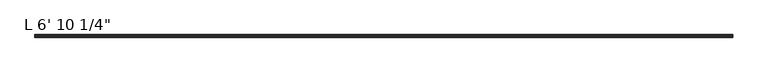
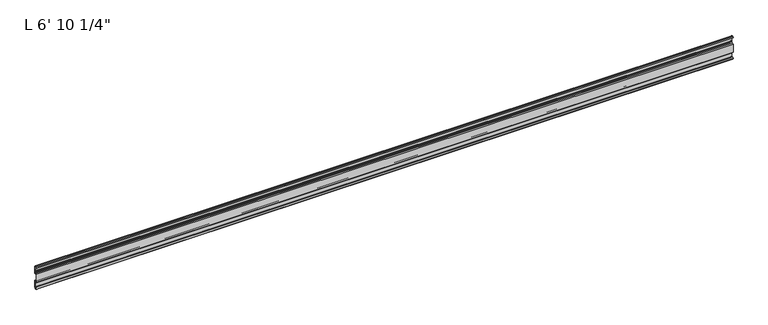
"""IFC4 building model written with IfcOpenShell, lengths in millimetres: proxy geometry."""

from ifc_helpers import new_model, si_unit, point, frame, frame_2d, origin, place, context, project, spatial, polyline, circle_curve, trimmed, segment, composite_curve, outline, extrude, source, transform, mapped, element, save


def proxy_39231321(model_context):
    return source(origin(), model_context, "Body", "SweptSolid", [
        extrude(outline(composite_curve([segment(trimmed(circle_curve(frame_2d((14.5481808, -29.2063136)), 3.048), [point((13.6400687, -32.1158903))], [point((11.9462301, -30.7938136))], False, "CARTESIAN"), True, "CONTINUOUS"), segment(trimmed(circle_curve(frame_2d((14.5481808, -29.2063136)), 3.048), [point((11.9462301, -30.7938136))], [point((13.6400687, -26.2967369))], False, "CARTESIAN"), True, "CONTINUOUS"), segment(polyline([(13.6400687, -26.2967369), (15.4364113, -25.7360779)]), True, "CONTINUOUS"), segment(trimmed(circle_curve(frame_2d((15.6245238, -26.2747792)), 0.5706009), [point((15.4364113, -25.7360779))], [point((16.1779173, -26.4138515))], False, "CARTESIAN"), True, "CONTINUOUS"), segment(trimmed(circle_curve(frame_2d((16.9169378, -26.5995734)), 0.762), [point((16.1779173, -26.4138515))], [point((16.9376166, -27.3612928))], True, "CARTESIAN"), True, "CONTINUOUS"), segment(trimmed(circle_curve(frame_2d((16.9545, -26.8535734)), 0.508), [point((16.9376166, -27.3612928))], [point((17.4625, -26.8535734))], True, "CARTESIAN"), True, "CONTINUOUS"), segment(polyline([(17.4625, -26.8535734), (17.4625, -15.6659614), (17.9716639, -14.7485418), (17.9716639, -13.408381), (17.4625, -12.4909614), (17.4625, -10.1123329)]), True, "CONTINUOUS"), segment(trimmed(circle_curve(frame_2d((15.875, -10.1123329)), 1.5875), [point((17.4625, -10.1123329))], [point((15.875, -8.5248329))], True, "CARTESIAN"), True, "CONTINUOUS"), segment(polyline([(15.875, -8.5248329), (11.1125, -8.5248329), (11.1125, 16.902011), (15.875, 16.902011)]), True, "CONTINUOUS"), segment(trimmed(circle_curve(frame_2d((15.875, 18.489511)), 1.5875), [point((15.875, 16.902011))], [point((17.4625, 18.489511))], True, "CARTESIAN"), True, "CONTINUOUS"), segment(polyline([(17.4625, 18.489511), (17.4625, 20.8681395), (17.9716639, 21.7855591), (17.9716639, 23.1257199), (17.4625, 24.0431395), (17.4625, 35.2307515)]), True, "CONTINUOUS"), segment(trimmed(circle_curve(frame_2d((16.9545, 35.2307515)), 0.508), [point((17.4625, 35.2307515))], [point((16.9376166, 35.7384709))], True, "CARTESIAN"), True, "CONTINUOUS"), segment(trimmed(circle_curve(frame_2d((16.9169378, 34.9767515)), 0.762), [point((16.9376166, 35.7384709))], [point((16.1779173, 34.7910296))], True, "CARTESIAN"), True, "CONTINUOUS"), segment(trimmed(circle_curve(frame_2d((15.6245238, 34.6519573)), 0.5706009), [point((16.1779173, 34.7910296))], [point((15.4364113, 34.113256))], False, "CARTESIAN"), True, "CONTINUOUS"), segment(polyline([(15.4364113, 34.113256), (13.6400687, 34.673915)]), True, "CONTINUOUS"), segment(trimmed(circle_curve(frame_2d((14.5481808, 37.5834917)), 3.048), [point((13.6400687, 34.673915))], [point((11.9462301, 39.1709917))], False, "CARTESIAN"), True, "CONTINUOUS"), segment(trimmed(circle_curve(frame_2d((14.5481808, 37.5834917)), 3.048), [point((11.9462301, 39.1709917))], [point((13.6400687, 40.4930684))], False, "CARTESIAN"), True, "CONTINUOUS"), segment(polyline([(13.6400687, 40.4930684), (15.4750158, 41.0657763)]), True, "CONTINUOUS"), segment(trimmed(circle_curve(frame_2d((15.6853088, 40.6458616)), 0.4696291), [point((15.4750158, 41.0657763))], [point((16.1549378, 40.6458616))], False, "CARTESIAN"), True, "CONTINUOUS"), segment(polyline([(16.1549378, 40.6458616), (16.1549378, 39.1042515)]), True, "CONTINUOUS"), segment(trimmed(circle_curve(frame_2d((17.7424378, 39.1042515)), 1.5875), [point((16.1549378, 39.1042515))], [point((17.7424378, 37.5167515))], True, "CARTESIAN"), True, "CONTINUOUS"), segment(polyline([(17.7424378, 37.5167515), (19.05, 37.5167515), (19.05, 16.8792515)]), True, "CONTINUOUS"), segment(trimmed(circle_curve(frame_2d((17.4625, 16.8792515)), 1.5875), [point((19.05, 16.8792515))], [point((17.4625, 15.2917515))], False, "CARTESIAN"), True, "CONTINUOUS"), segment(polyline([(17.4625, 15.2917515), (12.7, 15.2917515), (12.7, -6.9145734), (17.4625, -6.9145734)]), True, "CONTINUOUS"), segment(trimmed(circle_curve(frame_2d((17.4625, -8.5020734)), 1.5875), [point((17.4625, -6.9145734))], [point((19.05, -8.5020734))], False, "CARTESIAN"), True, "CONTINUOUS"), segment(polyline([(19.05, -8.5020734), (19.05, -29.1395734), (17.7424378, -29.1395734)]), True, "CONTINUOUS"), segment(trimmed(circle_curve(frame_2d((17.7424378, -30.7270734)), 1.5875), [point((17.7424378, -29.1395734))], [point((16.1549378, -30.7270734))], True, "CARTESIAN"), True, "CONTINUOUS"), segment(polyline([(16.1549378, -30.7270734), (16.1549378, -32.2686835)]), True, "CONTINUOUS"), segment(trimmed(circle_curve(frame_2d((15.6853088, -32.2686835)), 0.4696291), [point((16.1549378, -32.2686835))], [point((15.4750158, -32.6885982))], False, "CARTESIAN"), True, "CONTINUOUS"), segment(polyline([(15.4750158, -32.6885982), (13.6400687, -32.1158903)]), True, "CONTINUOUS")], self_intersect=False)), frame((-1784.35, 0.0, 0.0), z_axis=(1.0, 0.0, 0.0), x_axis=(0.0, 1.0, 0.0)), (0.0, 0.0, 1.0), 2089.15),
    ])


if __name__ == "__main__":
    model = new_model("IFC4")
    model_context = context("Model", 3, world=origin())
    ifc_project = project(units=[si_unit("LENGTHUNIT", "METRE", prefix="MILLI")], contexts=[model_context])
    site = spatial("IfcSite", under=ifc_project)
    building = spatial("IfcBuilding", under=site)
    placement = place(None, origin())
    proxy_shape = proxy_39231321(model_context)
    element("IfcBuildingElementProxy", 1, Name="L 6' 10 1/4\"", ObjectType="L 6' 10 1/4\"", at=placement, inside=building, context=model_context, shape_type="MappedRepresentation", body=[
        mapped(proxy_shape, transform((0.0, 0.0, 0.0), x_axis=(1.0, 0.0, 0.0), y_axis=(0.0, 1.0, 0.0), z_axis=(0.0, 0.0, 1.0))),
    ])
    save(model, "model.ifc")
